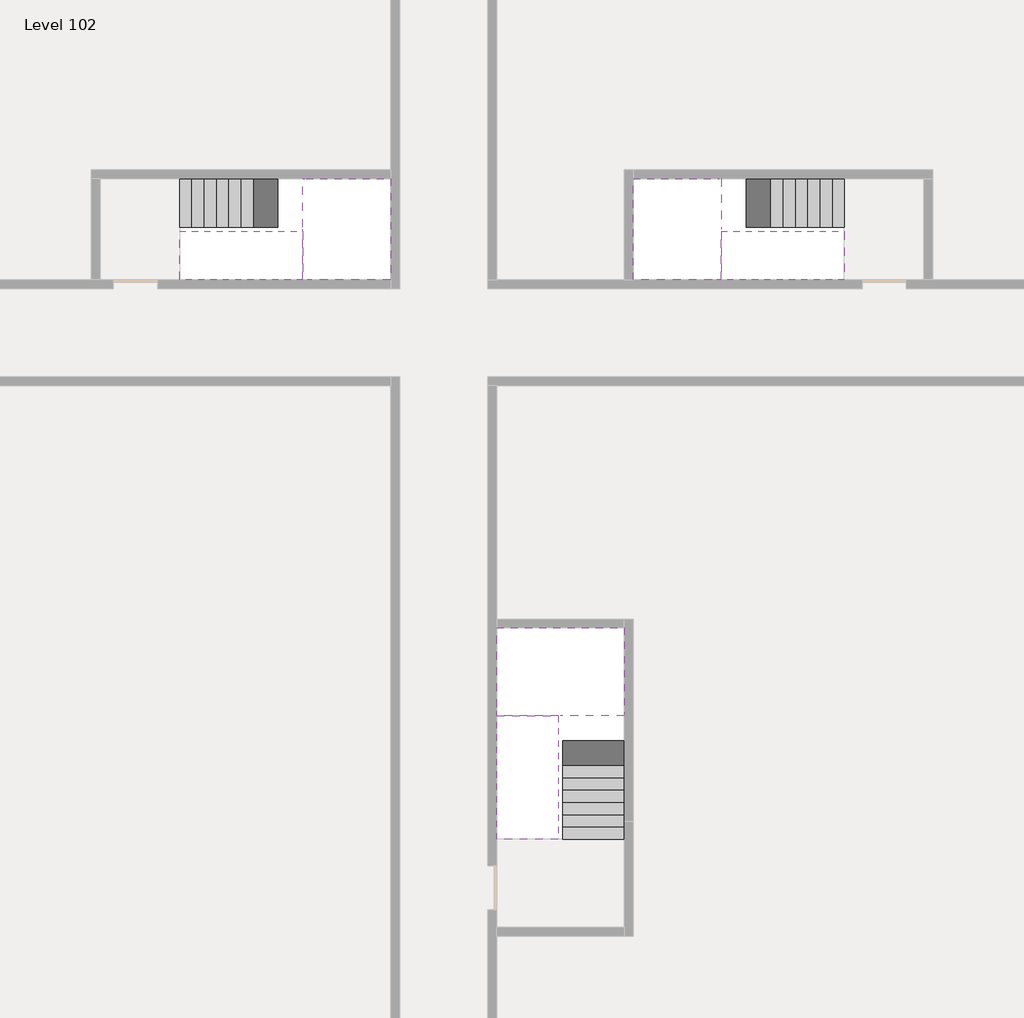
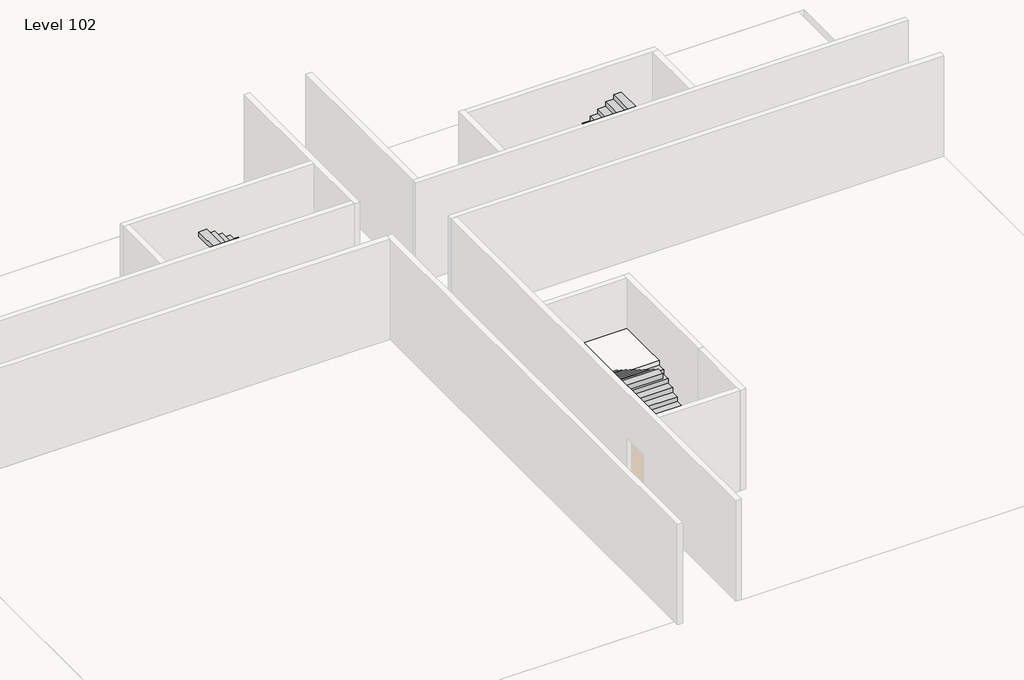
# One storey, part 2 of 2: 6 stair flights, 3 slabs.
"""IFC4 building model written with IfcOpenShell, lengths in millimetres."""

from ifc_helpers import new_model, si_unit, origin, place, context, project, spatial, faceted_brep, element, save

model = new_model("IFC4")

# Units and contexts
model_context = context("Model", 3, world=origin())
ifc_project = project(units=[si_unit("LENGTHUNIT", "METRE", prefix="MILLI")], contexts=[model_context])

# Site, building, storey
site = spatial("IfcSite", under=ifc_project)
building = spatial("IfcBuilding", under=site)
storey = spatial("IfcBuildingStorey", under=building, Name="Level 102", Elevation=383800.0)

# Slabs
placement = place(None, origin())
element("IfcSlab", 1, at=placement, inside=storey, context=model_context, shape_type="Brep", body=[
    faceted_brep([(26890.1058784, -40418.09644, 385700.0), (28290.1058784, -40418.09644, 385700.0), (28290.1058784, -40338.7100038, 385700.0), (28290.1058784, -38418.09644, 385700.0), (25390.1058784, -38418.09644, 385700.0), (25390.1058784, -40217.4828763, 385700.0), (25390.1058784, -40418.09644, 385700.0), (26790.1058784, -40418.09644, 385700.0), (26890.1058784, -40418.09644, 385400.0), (26890.1058784, -40418.09644, 385351.0278478), (28290.1058784, -40418.09644, 385351.0278478), (28290.1058784, -40418.09644, 385527.2727273), (28290.1058784, -40338.7100038, 385400.0), (28290.1058784, -38418.09644, 385400.0), (25390.1058784, -38418.09644, 385400.0), (25390.1058784, -40217.4828763, 385400.0), (25390.1058784, -40418.09644, 385523.7551205), (26790.1058784, -40418.09644, 385523.7551205), (26790.1058784, -40418.09644, 385400.0), (26790.1058784, -40217.4828763, 385400.0), (26890.1058784, -40338.7100038, 385400.0)], [[[0, 1, 2, 3, 4, 5, 6, 7]], [[1, 0, 8, 9, 10, 11]], [[1, 11, 10, 12, 13, 3, 2]], [[4, 3, 13, 14]], [[4, 14, 15, 16, 6, 5]], [[7, 6, 16, 17]], [[0, 7, 17, 18, 8]], [[18, 19, 15, 14, 13, 12, 20, 8]], [[19, 18, 17]], [[20, 12, 10, 9]], [[8, 20, 9]], [[15, 19, 17, 16]]]),
])
element("IfcSlab", 2, at=placement, inside=storey, context=model_context, shape_type="Brep", body=[
    faceted_brep([(20990.1058784, -28218.09644, 385700.0), (20990.1058784, -29318.09644, 385700.0), (20990.1058784, -29418.09644, 385700.0), (20990.1058784, -30518.09644, 385700.0), (21190.7194421, -30518.09644, 385700.0), (22990.1058784, -30518.09644, 385700.0), (22990.1058784, -28218.09644, 385700.0), (21069.4923146, -28218.09644, 385700.0), (20990.1058784, -28218.09644, 385527.2727273), (20990.1058784, -28218.09644, 385351.0278478), (20990.1058784, -29318.09644, 385351.0278478), (20990.1058784, -29318.09644, 385400.0), (20990.1058784, -29418.09644, 385400.0), (20990.1058784, -29418.09644, 385523.7551205), (20990.1058784, -30518.09644, 385523.7551205), (21190.7194421, -30518.09644, 385400.0), (22990.1058784, -30518.09644, 385400.0), (22990.1058784, -28218.09644, 385400.0), (21069.4923146, -28218.09644, 385400.0), (21190.7194421, -29418.09644, 385400.0), (21069.4923146, -29318.09644, 385400.0)], [[[0, 1, 2, 3, 4, 5, 6, 7]], [[1, 0, 8, 9, 10, 11]], [[2, 1, 11, 12, 13]], [[3, 2, 13, 14]], [[3, 14, 15, 16, 5, 4]], [[6, 5, 16, 17]], [[9, 8, 0, 7, 6, 17, 18]], [[19, 12, 11, 20, 18, 17, 16, 15]], [[12, 19, 13]], [[18, 20, 10, 9]], [[20, 11, 10]], [[19, 15, 14, 13]]]),
])
element("IfcSlab", 3, at=placement, inside=storey, context=model_context, shape_type="Brep", body=[
    faceted_brep([(30490.1058784, -29318.09644, 385700.0), (30490.1058784, -28218.09644, 385700.0), (30410.7194421, -28218.09644, 385700.0), (28490.1058784, -28218.09644, 385700.0), (28490.1058784, -30518.09644, 385700.0), (30289.4923146, -30518.09644, 385700.0), (30490.1058784, -30518.09644, 385700.0), (30490.1058784, -29418.09644, 385700.0), (30490.1058784, -29318.09644, 385400.0), (30490.1058784, -29318.09644, 385351.0278478), (30490.1058784, -28218.09644, 385351.0278478), (30490.1058784, -28218.09644, 385527.2727273), (30490.1058784, -29418.09644, 385523.7551205), (30490.1058784, -29418.09644, 385400.0), (30490.1058784, -30518.09644, 385523.7551205), (28490.1058784, -30518.09644, 385400.0), (30289.4923146, -30518.09644, 385400.0), (28490.1058784, -28218.09644, 385400.0), (30410.7194421, -28218.09644, 385400.0), (30289.4923146, -29418.09644, 385400.0), (30410.7194421, -29318.09644, 385400.0)], [[[0, 1, 2, 3, 4, 5, 6, 7]], [[1, 0, 8, 9, 10, 11]], [[0, 7, 12, 13, 8]], [[7, 6, 14, 12]], [[4, 15, 16, 14, 6, 5]], [[4, 3, 17, 15]], [[1, 11, 10, 18, 17, 3, 2]], [[13, 19, 16, 15, 17, 18, 20, 8]], [[20, 18, 10, 9]], [[8, 20, 9]], [[16, 19, 12, 14]], [[19, 13, 12]]]),
])

# Stair flights
element("IfcStairFlight", 4, at=placement, inside=storey, context=model_context, shape_type="Brep", body=[
    faceted_brep([(26890.1058784, -42938.09644, 383972.7272727), (26890.1058784, -43218.09644, 383972.7272727), (28290.1058784, -43218.09644, 383972.7272727), (28290.1058784, -42938.09644, 383972.7272727), (26890.1058784, -42938.09644, 383800.0), (26890.1058784, -43218.09644, 383800.0), (28290.1058784, -43218.09644, 383800.0), (28290.1058784, -42938.09644, 383800.0), (26890.1058784, -42658.09644, 384145.4545455), (26890.1058784, -42938.09644, 384145.4545455), (28290.1058784, -42938.09644, 384145.4545455), (28290.1058784, -42658.09644, 384145.4545455), (26890.1058784, -42658.09644, 383969.209666), (26890.1058784, -42932.3942143, 383800.0), (28290.1058784, -42932.3942143, 383800.0), (28290.1058784, -42658.09644, 383969.209666), (26890.1058784, -42378.09644, 384318.1818182), (26890.1058784, -42658.09644, 384318.1818182), (28290.1058784, -42658.09644, 384318.1818182), (28290.1058784, -42378.09644, 384318.1818182), (26890.1058784, -42378.09644, 384141.9369387), (28290.1058784, -42378.09644, 384141.9369387), (26890.1058784, -42098.09644, 384490.9090909), (26890.1058784, -42378.09644, 384490.9090909), (28290.1058784, -42378.09644, 384490.9090909), (28290.1058784, -42098.09644, 384490.9090909), (26890.1058784, -42098.09644, 384314.6642114), (28290.1058784, -42098.09644, 384314.6642114), (26890.1058784, -41818.09644, 384663.6363636), (26890.1058784, -42098.09644, 384663.6363636), (28290.1058784, -42098.09644, 384663.6363636), (28290.1058784, -41818.09644, 384663.6363636), (26890.1058784, -41818.09644, 384487.3914841), (28290.1058784, -41818.09644, 384487.3914841), (26890.1058784, -41538.09644, 384836.3636364), (26890.1058784, -41818.09644, 384836.3636364), (28290.1058784, -41818.09644, 384836.3636364), (28290.1058784, -41538.09644, 384836.3636364), (26890.1058784, -41538.09644, 384660.1187569), (28290.1058784, -41538.09644, 384660.1187569), (26890.1058784, -41258.09644, 385009.0909091), (26890.1058784, -41538.09644, 385009.0909091), (28290.1058784, -41538.09644, 385009.0909091), (28290.1058784, -41258.09644, 385009.0909091), (26890.1058784, -41258.09644, 384832.8460296), (28290.1058784, -41258.09644, 384832.8460296), (26890.1058784, -40978.09644, 385181.8181818), (26890.1058784, -41258.09644, 385181.8181818), (28290.1058784, -41258.09644, 385181.8181818), (28290.1058784, -40978.09644, 385181.8181818), (26890.1058784, -40978.09644, 385005.5733023), (28290.1058784, -40978.09644, 385005.5733023), (26890.1058784, -40698.09644, 385354.5454545), (26890.1058784, -40978.09644, 385354.5454545), (28290.1058784, -40978.09644, 385354.5454545), (28290.1058784, -40698.09644, 385354.5454545), (26890.1058784, -40698.09644, 385178.3005751), (28290.1058784, -40698.09644, 385178.3005751), (26890.1058784, -40418.09644, 385527.2727273), (26890.1058784, -40698.09644, 385527.2727273), (28290.1058784, -40698.09644, 385527.2727273), (28290.1058784, -40418.09644, 385527.2727273), (26890.1058784, -40418.09644, 385400.0), (26890.1058784, -40418.09644, 385351.0278478), (28290.1058784, -40418.09644, 385351.0278478)], [[[0, 1, 2, 3]], [[1, 0, 4, 5]], [[2, 1, 5, 6]], [[3, 2, 6, 7]], [[8, 9, 10, 11]], [[4, 0, 9, 8, 12, 13]], [[0, 3, 10, 9]], [[3, 7, 14, 15, 11, 10]], [[16, 17, 18, 19]], [[17, 16, 20, 12, 8]], [[8, 11, 18, 17]], [[19, 18, 11, 15, 21]], [[22, 23, 24, 25]], [[23, 22, 26, 20, 16]], [[16, 19, 24, 23]], [[25, 24, 19, 21, 27]], [[28, 29, 30, 31]], [[29, 28, 32, 26, 22]], [[22, 25, 30, 29]], [[31, 30, 25, 27, 33]], [[34, 35, 36, 37]], [[35, 34, 38, 32, 28]], [[28, 31, 36, 35]], [[37, 36, 31, 33, 39]], [[40, 41, 42, 43]], [[41, 40, 44, 38, 34]], [[34, 37, 42, 41]], [[43, 42, 37, 39, 45]], [[46, 47, 48, 49]], [[47, 46, 50, 44, 40]], [[40, 43, 48, 47]], [[49, 48, 43, 45, 51]], [[52, 53, 54, 55]], [[53, 52, 56, 50, 46]], [[46, 49, 54, 53]], [[55, 54, 49, 51, 57]], [[58, 59, 60, 61]], [[59, 58, 62, 63, 56, 52]], [[52, 55, 60, 59]], [[61, 60, 55, 57, 64]], [[58, 61, 64, 63, 62]], [[5, 4, 13, 14, 7, 6]], [[14, 13, 12, 20, 26, 32, 38, 44, 50, 56, 63, 64, 57, 51, 45, 39, 33, 27, 21, 15]]]),
])
element("IfcStairFlight", 5, at=placement, inside=storey, context=model_context, shape_type="Brep", body=[
    faceted_brep([(26790.1058784, -40698.09644, 385872.7272727), (26790.1058784, -40418.09644, 385872.7272727), (25390.1058784, -40418.09644, 385872.7272727), (25390.1058784, -40698.09644, 385872.7272727), (26790.1058784, -40698.09644, 385696.4823932), (26790.1058784, -40418.09644, 385523.7551205), (25390.1058784, -40418.09644, 385523.7551205), (25390.1058784, -40418.09644, 385700.0), (25390.1058784, -40698.09644, 385696.4823932), (26790.1058784, -40978.09644, 386045.4545455), (26790.1058784, -40698.09644, 386045.4545455), (25390.1058784, -40698.09644, 386045.4545455), (25390.1058784, -40978.09644, 386045.4545455), (26790.1058784, -40978.09644, 385869.209666), (25390.1058784, -40978.09644, 385869.209666), (26790.1058784, -41258.09644, 386218.1818182), (26790.1058784, -40978.09644, 386218.1818182), (25390.1058784, -40978.09644, 386218.1818182), (25390.1058784, -41258.09644, 386218.1818182), (26790.1058784, -41258.09644, 386041.9369387), (25390.1058784, -41258.09644, 386041.9369387), (26790.1058784, -41538.09644, 386390.9090909), (26790.1058784, -41258.09644, 386390.9090909), (25390.1058784, -41258.09644, 386390.9090909), (25390.1058784, -41538.09644, 386390.9090909), (26790.1058784, -41538.09644, 386214.6642114), (25390.1058784, -41538.09644, 386214.6642114), (26790.1058784, -41818.09644, 386563.6363636), (26790.1058784, -41538.09644, 386563.6363636), (25390.1058784, -41538.09644, 386563.6363636), (25390.1058784, -41818.09644, 386563.6363636), (26790.1058784, -41818.09644, 386387.3914841), (25390.1058784, -41818.09644, 386387.3914841), (26790.1058784, -42098.09644, 386736.3636364), (26790.1058784, -41818.09644, 386736.3636364), (25390.1058784, -41818.09644, 386736.3636364), (25390.1058784, -42098.09644, 386736.3636364), (26790.1058784, -42098.09644, 386560.1187569), (25390.1058784, -42098.09644, 386560.1187569), (26790.1058784, -42378.09644, 386909.0909091), (26790.1058784, -42098.09644, 386909.0909091), (25390.1058784, -42098.09644, 386909.0909091), (25390.1058784, -42378.09644, 386909.0909091), (26790.1058784, -42378.09644, 386732.8460296), (25390.1058784, -42378.09644, 386732.8460296), (26790.1058784, -42658.09644, 387081.8181818), (26790.1058784, -42378.09644, 387081.8181818), (25390.1058784, -42378.09644, 387081.8181818), (25390.1058784, -42658.09644, 387081.8181818), (26790.1058784, -42658.09644, 386905.5733023), (25390.1058784, -42658.09644, 386905.5733023), (26790.1058784, -42938.09644, 387254.5454545), (26790.1058784, -42658.09644, 387254.5454545), (25390.1058784, -42658.09644, 387254.5454545), (25390.1058784, -42938.09644, 387254.5454545), (26790.1058784, -42938.09644, 387078.3005751), (25390.1058784, -42938.09644, 387078.3005751), (26790.1058784, -43218.09644, 387427.2727273), (26790.1058784, -42938.09644, 387427.2727273), (25390.1058784, -42938.09644, 387427.2727273), (25390.1058784, -43218.09644, 387427.2727273), (26790.1058784, -43218.09644, 387251.0278478), (25390.1058784, -43218.09644, 387251.0278478)], [[[0, 1, 2, 3]], [[1, 0, 4, 5]], [[2, 1, 5, 6, 7]], [[3, 2, 7, 6, 8]], [[9, 10, 11, 12]], [[10, 9, 13, 4, 0]], [[11, 10, 0, 3]], [[12, 11, 3, 8, 14]], [[15, 16, 17, 18]], [[16, 15, 19, 13, 9]], [[17, 16, 9, 12]], [[18, 17, 12, 14, 20]], [[21, 22, 23, 24]], [[22, 21, 25, 19, 15]], [[23, 22, 15, 18]], [[24, 23, 18, 20, 26]], [[27, 28, 29, 30]], [[28, 27, 31, 25, 21]], [[29, 28, 21, 24]], [[30, 29, 24, 26, 32]], [[33, 34, 35, 36]], [[34, 33, 37, 31, 27]], [[35, 34, 27, 30]], [[36, 35, 30, 32, 38]], [[39, 40, 41, 42]], [[40, 39, 43, 37, 33]], [[41, 40, 33, 36]], [[42, 41, 36, 38, 44]], [[45, 46, 47, 48]], [[46, 45, 49, 43, 39]], [[47, 46, 39, 42]], [[48, 47, 42, 44, 50]], [[51, 52, 53, 54]], [[52, 51, 55, 49, 45]], [[53, 52, 45, 48]], [[54, 53, 48, 50, 56]], [[57, 58, 59, 60]], [[58, 57, 61, 55, 51]], [[59, 58, 51, 54]], [[60, 59, 54, 56, 62]], [[57, 60, 62, 61]], [[5, 4, 13, 19, 25, 31, 37, 43, 49, 55, 61, 62, 56, 50, 44, 38, 32, 26, 20, 14, 8, 6]]]),
])
element("IfcStairFlight", 6, at=placement, inside=storey, context=model_context, shape_type="Brep", body=[
    faceted_brep([(18470.1058784, -28218.09644, 383972.7272727), (18190.1058784, -28218.09644, 383972.7272727), (18190.1058784, -29318.09644, 383972.7272727), (18470.1058784, -29318.09644, 383972.7272727), (18470.1058784, -28218.09644, 383800.0), (18190.1058784, -28218.09644, 383800.0), (18190.1058784, -29318.09644, 383800.0), (18470.1058784, -29318.09644, 383800.0), (18750.1058784, -28218.09644, 384145.4545455), (18470.1058784, -28218.09644, 384145.4545455), (18470.1058784, -29318.09644, 384145.4545455), (18750.1058784, -29318.09644, 384145.4545455), (18750.1058784, -28218.09644, 383969.209666), (18475.8081041, -28218.09644, 383800.0), (18475.8081041, -29318.09644, 383800.0), (18750.1058784, -29318.09644, 383969.209666), (19030.1058784, -28218.09644, 384318.1818182), (18750.1058784, -28218.09644, 384318.1818182), (18750.1058784, -29318.09644, 384318.1818182), (19030.1058784, -29318.09644, 384318.1818182), (19030.1058784, -28218.09644, 384141.9369387), (19030.1058784, -29318.09644, 384141.9369387), (19310.1058784, -28218.09644, 384490.9090909), (19030.1058784, -28218.09644, 384490.9090909), (19030.1058784, -29318.09644, 384490.9090909), (19310.1058784, -29318.09644, 384490.9090909), (19310.1058784, -28218.09644, 384314.6642114), (19310.1058784, -29318.09644, 384314.6642114), (19590.1058784, -28218.09644, 384663.6363636), (19310.1058784, -28218.09644, 384663.6363636), (19310.1058784, -29318.09644, 384663.6363636), (19590.1058784, -29318.09644, 384663.6363636), (19590.1058784, -28218.09644, 384487.3914841), (19590.1058784, -29318.09644, 384487.3914841), (19870.1058784, -28218.09644, 384836.3636364), (19590.1058784, -28218.09644, 384836.3636364), (19590.1058784, -29318.09644, 384836.3636364), (19870.1058784, -29318.09644, 384836.3636364), (19870.1058784, -28218.09644, 384660.1187569), (19870.1058784, -29318.09644, 384660.1187569), (20150.1058784, -28218.09644, 385009.0909091), (19870.1058784, -28218.09644, 385009.0909091), (19870.1058784, -29318.09644, 385009.0909091), (20150.1058784, -29318.09644, 385009.0909091), (20150.1058784, -28218.09644, 384832.8460296), (20150.1058784, -29318.09644, 384832.8460296), (20430.1058784, -28218.09644, 385181.8181818), (20150.1058784, -28218.09644, 385181.8181818), (20150.1058784, -29318.09644, 385181.8181818), (20430.1058784, -29318.09644, 385181.8181818), (20430.1058784, -28218.09644, 385005.5733023), (20430.1058784, -29318.09644, 385005.5733023), (20710.1058784, -28218.09644, 385354.5454545), (20430.1058784, -28218.09644, 385354.5454545), (20430.1058784, -29318.09644, 385354.5454545), (20710.1058784, -29318.09644, 385354.5454545), (20710.1058784, -28218.09644, 385178.3005751), (20710.1058784, -29318.09644, 385178.3005751), (20990.1058784, -28218.09644, 385527.2727273), (20710.1058784, -28218.09644, 385527.2727273), (20710.1058784, -29318.09644, 385527.2727273), (20990.1058784, -29318.09644, 385527.2727273), (20990.1058784, -28218.09644, 385351.0278478), (20990.1058784, -29318.09644, 385351.0278478), (20990.1058784, -29318.09644, 385400.0)], [[[0, 1, 2, 3]], [[1, 0, 4, 5]], [[2, 1, 5, 6]], [[3, 2, 6, 7]], [[8, 9, 10, 11]], [[4, 0, 9, 8, 12, 13]], [[0, 3, 10, 9]], [[3, 7, 14, 15, 11, 10]], [[16, 17, 18, 19]], [[17, 16, 20, 12, 8]], [[8, 11, 18, 17]], [[19, 18, 11, 15, 21]], [[22, 23, 24, 25]], [[23, 22, 26, 20, 16]], [[16, 19, 24, 23]], [[25, 24, 19, 21, 27]], [[28, 29, 30, 31]], [[29, 28, 32, 26, 22]], [[22, 25, 30, 29]], [[31, 30, 25, 27, 33]], [[34, 35, 36, 37]], [[35, 34, 38, 32, 28]], [[28, 31, 36, 35]], [[37, 36, 31, 33, 39]], [[40, 41, 42, 43]], [[41, 40, 44, 38, 34]], [[34, 37, 42, 41]], [[43, 42, 37, 39, 45]], [[46, 47, 48, 49]], [[47, 46, 50, 44, 40]], [[40, 43, 48, 47]], [[49, 48, 43, 45, 51]], [[52, 53, 54, 55]], [[53, 52, 56, 50, 46]], [[46, 49, 54, 53]], [[55, 54, 49, 51, 57]], [[58, 59, 60, 61]], [[59, 58, 62, 56, 52]], [[52, 55, 60, 59]], [[61, 60, 55, 57, 63, 64]], [[58, 61, 64, 63, 62]], [[5, 4, 13, 14, 7, 6]], [[14, 13, 12, 20, 26, 32, 38, 44, 50, 56, 62, 63, 57, 51, 45, 39, 33, 27, 21, 15]]]),
])
element("IfcStairFlight", 7, at=placement, inside=storey, context=model_context, shape_type="Brep", body=[
    faceted_brep([(20710.1058784, -30518.09644, 385872.7272727), (20990.1058784, -30518.09644, 385872.7272727), (20990.1058784, -29418.09644, 385872.7272727), (20710.1058784, -29418.09644, 385872.7272727), (20710.1058784, -30518.09644, 385696.4823932), (20990.1058784, -30518.09644, 385523.7551205), (20990.1058784, -30518.09644, 385700.0), (20990.1058784, -29418.09644, 385523.7551205), (20710.1058784, -29418.09644, 385696.4823932), (20430.1058784, -30518.09644, 386045.4545455), (20710.1058784, -30518.09644, 386045.4545455), (20710.1058784, -29418.09644, 386045.4545455), (20430.1058784, -29418.09644, 386045.4545455), (20430.1058784, -30518.09644, 385869.209666), (20430.1058784, -29418.09644, 385869.209666), (20150.1058784, -30518.09644, 386218.1818182), (20430.1058784, -30518.09644, 386218.1818182), (20430.1058784, -29418.09644, 386218.1818182), (20150.1058784, -29418.09644, 386218.1818182), (20150.1058784, -30518.09644, 386041.9369387), (20150.1058784, -29418.09644, 386041.9369387), (19870.1058784, -30518.09644, 386390.9090909), (20150.1058784, -30518.09644, 386390.9090909), (20150.1058784, -29418.09644, 386390.9090909), (19870.1058784, -29418.09644, 386390.9090909), (19870.1058784, -30518.09644, 386214.6642114), (19870.1058784, -29418.09644, 386214.6642114), (19590.1058784, -30518.09644, 386563.6363636), (19870.1058784, -30518.09644, 386563.6363636), (19870.1058784, -29418.09644, 386563.6363636), (19590.1058784, -29418.09644, 386563.6363636), (19590.1058784, -30518.09644, 386387.3914841), (19590.1058784, -29418.09644, 386387.3914841), (19310.1058784, -30518.09644, 386736.3636364), (19590.1058784, -30518.09644, 386736.3636364), (19590.1058784, -29418.09644, 386736.3636364), (19310.1058784, -29418.09644, 386736.3636364), (19310.1058784, -30518.09644, 386560.1187569), (19310.1058784, -29418.09644, 386560.1187569), (19030.1058784, -30518.09644, 386909.0909091), (19310.1058784, -30518.09644, 386909.0909091), (19310.1058784, -29418.09644, 386909.0909091), (19030.1058784, -29418.09644, 386909.0909091), (19030.1058784, -30518.09644, 386732.8460296), (19030.1058784, -29418.09644, 386732.8460296), (18750.1058784, -30518.09644, 387081.8181818), (19030.1058784, -30518.09644, 387081.8181818), (19030.1058784, -29418.09644, 387081.8181818), (18750.1058784, -29418.09644, 387081.8181818), (18750.1058784, -30518.09644, 386905.5733023), (18750.1058784, -29418.09644, 386905.5733023), (18470.1058784, -30518.09644, 387254.5454545), (18750.1058784, -30518.09644, 387254.5454545), (18750.1058784, -29418.09644, 387254.5454545), (18470.1058784, -29418.09644, 387254.5454545), (18470.1058784, -30518.09644, 387078.3005751), (18470.1058784, -29418.09644, 387078.3005751), (18190.1058784, -30518.09644, 387427.2727273), (18470.1058784, -30518.09644, 387427.2727273), (18470.1058784, -29418.09644, 387427.2727273), (18190.1058784, -29418.09644, 387427.2727273), (18190.1058784, -30518.09644, 387251.0278478), (18190.1058784, -29418.09644, 387251.0278478)], [[[0, 1, 2, 3]], [[1, 0, 4, 5, 6]], [[2, 1, 6, 5, 7]], [[3, 2, 7, 8]], [[9, 10, 11, 12]], [[10, 9, 13, 4, 0]], [[11, 10, 0, 3]], [[12, 11, 3, 8, 14]], [[15, 16, 17, 18]], [[16, 15, 19, 13, 9]], [[17, 16, 9, 12]], [[18, 17, 12, 14, 20]], [[21, 22, 23, 24]], [[22, 21, 25, 19, 15]], [[23, 22, 15, 18]], [[24, 23, 18, 20, 26]], [[27, 28, 29, 30]], [[28, 27, 31, 25, 21]], [[29, 28, 21, 24]], [[30, 29, 24, 26, 32]], [[33, 34, 35, 36]], [[34, 33, 37, 31, 27]], [[35, 34, 27, 30]], [[36, 35, 30, 32, 38]], [[39, 40, 41, 42]], [[40, 39, 43, 37, 33]], [[41, 40, 33, 36]], [[42, 41, 36, 38, 44]], [[45, 46, 47, 48]], [[46, 45, 49, 43, 39]], [[47, 46, 39, 42]], [[48, 47, 42, 44, 50]], [[51, 52, 53, 54]], [[52, 51, 55, 49, 45]], [[53, 52, 45, 48]], [[54, 53, 48, 50, 56]], [[57, 58, 59, 60]], [[58, 57, 61, 55, 51]], [[59, 58, 51, 54]], [[60, 59, 54, 56, 62]], [[57, 60, 62, 61]], [[5, 4, 13, 19, 25, 31, 37, 43, 49, 55, 61, 62, 56, 50, 44, 38, 32, 26, 20, 14, 8, 7]]]),
])
element("IfcStairFlight", 8, at=placement, inside=storey, context=model_context, shape_type="Brep", body=[
    faceted_brep([(33010.1058784, -29318.09644, 383972.7272727), (33290.1058784, -29318.09644, 383972.7272727), (33290.1058784, -28218.09644, 383972.7272727), (33010.1058784, -28218.09644, 383972.7272727), (33290.1058784, -28218.09644, 383800.0), (33010.1058784, -28218.09644, 383800.0), (33290.1058784, -29318.09644, 383800.0), (33010.1058784, -29318.09644, 383800.0), (32730.1058784, -29318.09644, 384145.4545455), (33010.1058784, -29318.09644, 384145.4545455), (33010.1058784, -28218.09644, 384145.4545455), (32730.1058784, -28218.09644, 384145.4545455), (33004.4036527, -28218.09644, 383800.0), (32730.1058784, -28218.09644, 383969.209666), (32730.1058784, -29318.09644, 383969.209666), (33004.4036527, -29318.09644, 383800.0), (32450.1058784, -29318.09644, 384318.1818182), (32730.1058784, -29318.09644, 384318.1818182), (32730.1058784, -28218.09644, 384318.1818182), (32450.1058784, -28218.09644, 384318.1818182), (32450.1058784, -28218.09644, 384141.9369387), (32450.1058784, -29318.09644, 384141.9369387), (32170.1058784, -29318.09644, 384490.9090909), (32450.1058784, -29318.09644, 384490.9090909), (32450.1058784, -28218.09644, 384490.9090909), (32170.1058784, -28218.09644, 384490.9090909), (32170.1058784, -28218.09644, 384314.6642114), (32170.1058784, -29318.09644, 384314.6642114), (31890.1058784, -29318.09644, 384663.6363636), (32170.1058784, -29318.09644, 384663.6363636), (32170.1058784, -28218.09644, 384663.6363636), (31890.1058784, -28218.09644, 384663.6363636), (31890.1058784, -28218.09644, 384487.3914841), (31890.1058784, -29318.09644, 384487.3914841), (31610.1058784, -29318.09644, 384836.3636364), (31890.1058784, -29318.09644, 384836.3636364), (31890.1058784, -28218.09644, 384836.3636364), (31610.1058784, -28218.09644, 384836.3636364), (31610.1058784, -28218.09644, 384660.1187569), (31610.1058784, -29318.09644, 384660.1187569), (31330.1058784, -29318.09644, 385009.0909091), (31610.1058784, -29318.09644, 385009.0909091), (31610.1058784, -28218.09644, 385009.0909091), (31330.1058784, -28218.09644, 385009.0909091), (31330.1058784, -28218.09644, 384832.8460296), (31330.1058784, -29318.09644, 384832.8460296), (31050.1058784, -29318.09644, 385181.8181818), (31330.1058784, -29318.09644, 385181.8181818), (31330.1058784, -28218.09644, 385181.8181818), (31050.1058784, -28218.09644, 385181.8181818), (31050.1058784, -28218.09644, 385005.5733023), (31050.1058784, -29318.09644, 385005.5733023), (30770.1058784, -29318.09644, 385354.5454545), (31050.1058784, -29318.09644, 385354.5454545), (31050.1058784, -28218.09644, 385354.5454545), (30770.1058784, -28218.09644, 385354.5454545), (30770.1058784, -28218.09644, 385178.3005751), (30770.1058784, -29318.09644, 385178.3005751), (30490.1058784, -29318.09644, 385527.2727273), (30770.1058784, -29318.09644, 385527.2727273), (30770.1058784, -28218.09644, 385527.2727273), (30490.1058784, -28218.09644, 385527.2727273), (30490.1058784, -28218.09644, 385351.0278478), (30490.1058784, -29318.09644, 385400.0), (30490.1058784, -29318.09644, 385351.0278478)], [[[0, 1, 2, 3]], [[3, 2, 4, 5]], [[2, 1, 6, 4]], [[1, 0, 7, 6]], [[8, 9, 10, 11]], [[3, 5, 12, 13, 11, 10]], [[0, 3, 10, 9]], [[7, 0, 9, 8, 14, 15]], [[16, 17, 18, 19]], [[19, 18, 11, 13, 20]], [[8, 11, 18, 17]], [[17, 16, 21, 14, 8]], [[22, 23, 24, 25]], [[25, 24, 19, 20, 26]], [[16, 19, 24, 23]], [[23, 22, 27, 21, 16]], [[28, 29, 30, 31]], [[31, 30, 25, 26, 32]], [[22, 25, 30, 29]], [[29, 28, 33, 27, 22]], [[34, 35, 36, 37]], [[37, 36, 31, 32, 38]], [[28, 31, 36, 35]], [[35, 34, 39, 33, 28]], [[40, 41, 42, 43]], [[43, 42, 37, 38, 44]], [[34, 37, 42, 41]], [[41, 40, 45, 39, 34]], [[46, 47, 48, 49]], [[49, 48, 43, 44, 50]], [[40, 43, 48, 47]], [[47, 46, 51, 45, 40]], [[52, 53, 54, 55]], [[55, 54, 49, 50, 56]], [[46, 49, 54, 53]], [[53, 52, 57, 51, 46]], [[58, 59, 60, 61]], [[61, 60, 55, 56, 62]], [[52, 55, 60, 59]], [[59, 58, 63, 64, 57, 52]], [[58, 61, 62, 64, 63]], [[6, 7, 15, 12, 5, 4]], [[12, 15, 14, 21, 27, 33, 39, 45, 51, 57, 64, 62, 56, 50, 44, 38, 32, 26, 20, 13]]]),
])
element("IfcStairFlight", 9, at=placement, inside=storey, context=model_context, shape_type="Brep", body=[
    faceted_brep([(30770.1058784, -29418.09644, 385872.7272727), (30490.1058784, -29418.09644, 385872.7272727), (30490.1058784, -30518.09644, 385872.7272727), (30770.1058784, -30518.09644, 385872.7272727), (30490.1058784, -30518.09644, 385700.0), (30490.1058784, -30518.09644, 385523.7551205), (30770.1058784, -30518.09644, 385696.4823932), (30490.1058784, -29418.09644, 385523.7551205), (30770.1058784, -29418.09644, 385696.4823932), (31050.1058784, -29418.09644, 386045.4545455), (30770.1058784, -29418.09644, 386045.4545455), (30770.1058784, -30518.09644, 386045.4545455), (31050.1058784, -30518.09644, 386045.4545455), (31050.1058784, -30518.09644, 385869.209666), (31050.1058784, -29418.09644, 385869.209666), (31330.1058784, -29418.09644, 386218.1818182), (31050.1058784, -29418.09644, 386218.1818182), (31050.1058784, -30518.09644, 386218.1818182), (31330.1058784, -30518.09644, 386218.1818182), (31330.1058784, -30518.09644, 386041.9369387), (31330.1058784, -29418.09644, 386041.9369387), (31610.1058784, -29418.09644, 386390.9090909), (31330.1058784, -29418.09644, 386390.9090909), (31330.1058784, -30518.09644, 386390.9090909), (31610.1058784, -30518.09644, 386390.9090909), (31610.1058784, -30518.09644, 386214.6642114), (31610.1058784, -29418.09644, 386214.6642114), (31890.1058784, -29418.09644, 386563.6363636), (31610.1058784, -29418.09644, 386563.6363636), (31610.1058784, -30518.09644, 386563.6363636), (31890.1058784, -30518.09644, 386563.6363636), (31890.1058784, -30518.09644, 386387.3914841), (31890.1058784, -29418.09644, 386387.3914841), (32170.1058784, -29418.09644, 386736.3636364), (31890.1058784, -29418.09644, 386736.3636364), (31890.1058784, -30518.09644, 386736.3636364), (32170.1058784, -30518.09644, 386736.3636364), (32170.1058784, -30518.09644, 386560.1187569), (32170.1058784, -29418.09644, 386560.1187569), (32450.1058784, -29418.09644, 386909.0909091), (32170.1058784, -29418.09644, 386909.0909091), (32170.1058784, -30518.09644, 386909.0909091), (32450.1058784, -30518.09644, 386909.0909091), (32450.1058784, -30518.09644, 386732.8460296), (32450.1058784, -29418.09644, 386732.8460296), (32730.1058784, -29418.09644, 387081.8181818), (32450.1058784, -29418.09644, 387081.8181818), (32450.1058784, -30518.09644, 387081.8181818), (32730.1058784, -30518.09644, 387081.8181818), (32730.1058784, -30518.09644, 386905.5733023), (32730.1058784, -29418.09644, 386905.5733023), (33010.1058784, -29418.09644, 387254.5454545), (32730.1058784, -29418.09644, 387254.5454545), (32730.1058784, -30518.09644, 387254.5454545), (33010.1058784, -30518.09644, 387254.5454545), (33010.1058784, -30518.09644, 387078.3005751), (33010.1058784, -29418.09644, 387078.3005751), (33290.1058784, -29418.09644, 387427.2727273), (33010.1058784, -29418.09644, 387427.2727273), (33010.1058784, -30518.09644, 387427.2727273), (33290.1058784, -30518.09644, 387427.2727273), (33290.1058784, -30518.09644, 387251.0278478), (33290.1058784, -29418.09644, 387251.0278478)], [[[0, 1, 2, 3]], [[3, 2, 4, 5, 6]], [[2, 1, 7, 5, 4]], [[1, 0, 8, 7]], [[9, 10, 11, 12]], [[12, 11, 3, 6, 13]], [[11, 10, 0, 3]], [[10, 9, 14, 8, 0]], [[15, 16, 17, 18]], [[18, 17, 12, 13, 19]], [[17, 16, 9, 12]], [[16, 15, 20, 14, 9]], [[21, 22, 23, 24]], [[24, 23, 18, 19, 25]], [[23, 22, 15, 18]], [[22, 21, 26, 20, 15]], [[27, 28, 29, 30]], [[30, 29, 24, 25, 31]], [[29, 28, 21, 24]], [[28, 27, 32, 26, 21]], [[33, 34, 35, 36]], [[36, 35, 30, 31, 37]], [[35, 34, 27, 30]], [[34, 33, 38, 32, 27]], [[39, 40, 41, 42]], [[42, 41, 36, 37, 43]], [[41, 40, 33, 36]], [[40, 39, 44, 38, 33]], [[45, 46, 47, 48]], [[48, 47, 42, 43, 49]], [[47, 46, 39, 42]], [[46, 45, 50, 44, 39]], [[51, 52, 53, 54]], [[54, 53, 48, 49, 55]], [[53, 52, 45, 48]], [[52, 51, 56, 50, 45]], [[57, 58, 59, 60]], [[60, 59, 54, 55, 61]], [[59, 58, 51, 54]], [[58, 57, 62, 56, 51]], [[57, 60, 61, 62]], [[7, 8, 14, 20, 26, 32, 38, 44, 50, 56, 62, 61, 55, 49, 43, 37, 31, 25, 19, 13, 6, 5]]]),
])

save(model, "model.ifc")
